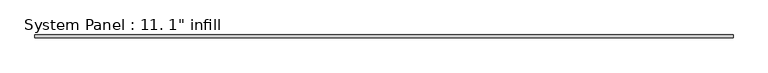
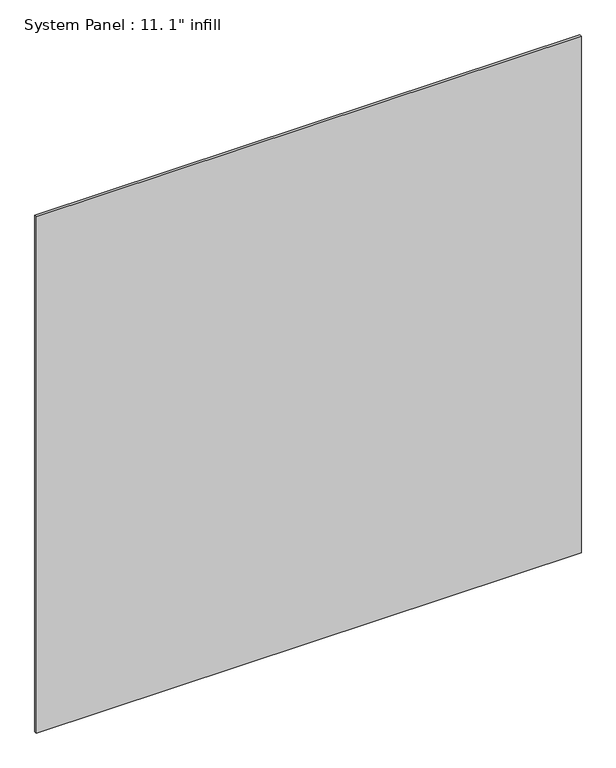
"""IFC4 building model written with IfcOpenShell, lengths in millimetres: plate geometry."""

from ifc_helpers import new_model, si_unit, origin, origin_with_axes, place, context, project, spatial, polyline, outline, extrude, source, transform, mapped, element, save


def plate_451db7bc(model_context):
    return source(origin(), model_context, "Body", "SweptSolid", [
        extrude(outline(polyline([(3016.25, -12.7), (-3016.25, -12.7), (-3016.25, 12.7), (3016.25, 12.7), (3016.25, -12.7)])), origin_with_axes(), (0.0, 0.0, 1.0), 6038.8531115),
    ])


if __name__ == "__main__":
    model = new_model("IFC4")
    model_context = context("Model", 3, world=origin())
    ifc_project = project(units=[si_unit("LENGTHUNIT", "METRE", prefix="MILLI")], contexts=[model_context])
    site = spatial("IfcSite", under=ifc_project)
    building = spatial("IfcBuilding", under=site)
    placement = place(None, origin())
    plate_shape = plate_451db7bc(model_context)
    element("IfcPlate", 1, ObjectType="System Panel : 11. 1\" infill", at=placement, inside=building, context=model_context, shape_type="MappedRepresentation", body=[
        mapped(plate_shape, transform((0.0, 0.0, 0.0), x_axis=(1.0, 0.0, 0.0), y_axis=(0.0, 1.0, 0.0), z_axis=(0.0, 0.0, 1.0))),
    ])
    save(model, "model.ifc")
